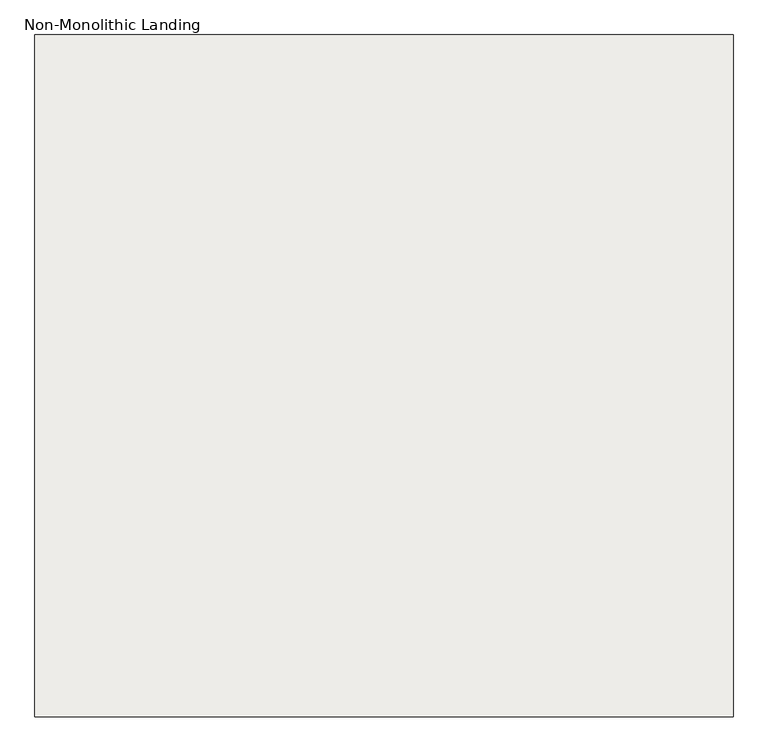
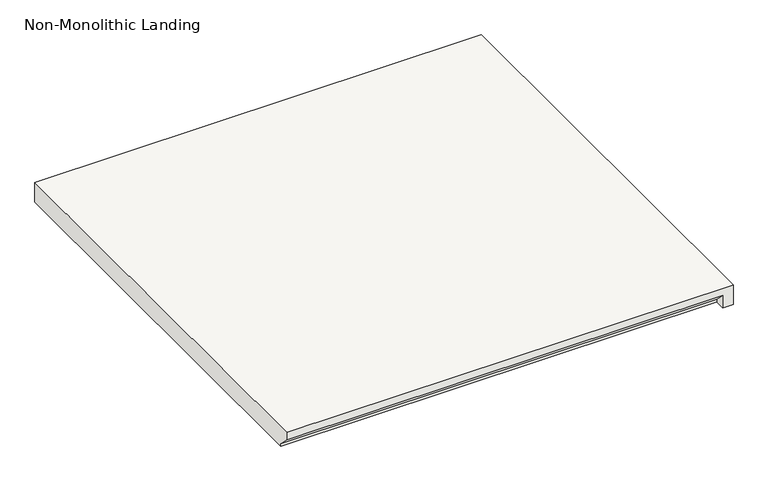
"""IFC4 building model written with IfcOpenShell, lengths in millimetres: slab geometry, Non-Monolithic Landing."""

from ifc_helpers import new_model, si_unit, origin, place, context, project, spatial, faceted_brep, source, transform, mapped, element, save


def non_monolithic_landing_0196bf6c(model_context):
    return source(origin(), model_context, "Body", "Brep", [
        faceted_brep([(26133.236035, -7789.4798674, 993.9617647), (26133.236035, -7764.0798674, 968.5617647), (27200.036035, -7764.0798674, 968.5617647), (27200.036035, -7789.4798674, 993.9617647), (27225.436035, -7789.4798674, 1013.0117647), (27225.436035, -6722.6798674, 1013.0117647), (27200.036035, -6722.6798674, 1013.0117647), (26133.236035, -6722.6798674, 1013.0117647), (26133.236035, -7789.4798674, 1013.0117647), (27200.036035, -7764.0798674, 962.2117647), (26133.236035, -7764.0798674, 962.2117647), (26133.236035, -6722.6798674, 962.2117647), (27200.036035, -6722.6798674, 962.2117647), (27225.436035, -6722.6798674, 962.2117647), (27225.436035, -7789.4798674, 962.2117647), (27200.036035, -7789.4798674, 962.2117647)], [[[0, 1, 2, 3]], [[4, 5, 6, 7, 8]], [[9, 10, 11, 12, 13, 14, 15]], [[10, 9, 2, 1]], [[9, 15, 3, 2]], [[4, 8, 0, 3, 15, 14]], [[5, 4, 14, 13]], [[6, 5, 13, 12]], [[7, 6, 12, 11]], [[8, 7, 11, 10, 1, 0]]]),
    ])


if __name__ == "__main__":
    model = new_model("IFC4")
    model_context = context("Model", 3, world=origin())
    ifc_project = project(units=[si_unit("LENGTHUNIT", "METRE", prefix="MILLI")], contexts=[model_context])
    site = spatial("IfcSite", under=ifc_project)
    building = spatial("IfcBuilding", under=site)
    placement = place(None, origin())
    non_monolithic_landing_shape = non_monolithic_landing_0196bf6c(model_context)
    element("IfcSlab", 1, ObjectType="Non-Monolithic Landing", at=placement, inside=building, context=model_context, shape_type="MappedRepresentation", body=[
        mapped(non_monolithic_landing_shape, transform((0.0, 0.0, 0.0), x_axis=(1.0, 0.0, 0.0), y_axis=(0.0, 1.0, 0.0), z_axis=(0.0, 0.0, 1.0))),
    ])
    save(model, "model.ifc")
